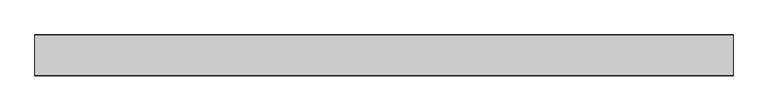
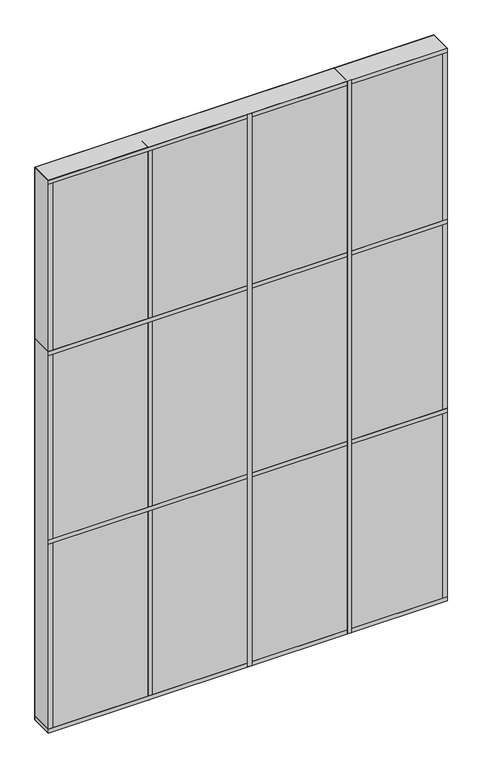
"""IFC4 building model written with IfcOpenShell, lengths in millimetres: plate geometry."""

import ifcopenshell
import ifcopenshell.guid

model = None  # the IFC model being written
_history = None  # IfcOwnerHistory: only IFC2X3 demands one
_inside = {}  # id of a spatial element -> (the spatial element, [elements in it])
_under = {}  # id of a project, library or spatial element -> (it, [spatial elements below it])
_declared = {}  # id of a project -> (the project, [libraries it declares])
_typed = {}  # id of a type object -> (the type object, [elements of that type])
_made_of = {}  # id of a material, layer set ... -> (it, [elements and type objects made of it])


def new_model(schema):
    """Start an empty IFC model of exactly this schema.

    Asked for "IFC4X3", IfcOpenShell would pick the latest addendum, in which some entities
    have other attributes; the version numbers below select the first issue.
    IFC2X3 requires an IfcOwnerHistory on every rooted entity: one is made here for all.
    """
    global model, _history
    if schema == "IFC4X3":
        model = ifcopenshell.file(schema_version=(4, 3, 0, 0))
    else:
        model = ifcopenshell.file(schema=schema)
    _inside.clear()
    _under.clear()
    _declared.clear()
    _typed.clear()
    _made_of.clear()
    _history = None
    if model.schema == "IFC2X3":
        org = make("IfcOrganization", Name="unknown")
        user = make(
            "IfcPersonAndOrganization",
            ThePerson=make("IfcPerson", FamilyName="unknown"),
            TheOrganization=org,
        )
        app = make(
            "IfcApplication",
            ApplicationDeveloper=org,
            Version="unknown",
            ApplicationFullName="unknown",
            ApplicationIdentifier="unknown",
        )
        _history = make(
            "IfcOwnerHistory",
            OwningUser=user,
            OwningApplication=app,
            ChangeAction="ADDED",
            CreationDate=0,
        )
    return model


def make(cls, **values):
    """One entity of the class cls with the attributes given. An attribute that is None is left unset."""
    return model.create_entity(
        cls, **{name: value for name, value in values.items() if value is not None}
    )


def rooted(cls, **values):
    """An entity with a GlobalId (a new one), such as an element, a storey or a relation."""
    return make(cls, GlobalId=ifcopenshell.guid.new(), OwnerHistory=_history, **values)


def si_unit(unit_type, name, prefix=None):
    """IfcSIUnit, for example si_unit("LENGTHUNIT", "METRE", prefix="MILLI")."""
    return make("IfcSIUnit", UnitType=unit_type, Prefix=prefix, Name=name)


def assignment(units):
    """IfcUnitAssignment: the units of a project."""
    return None if units is None else make("IfcUnitAssignment", Units=units)


def point(xyz):
    """IfcCartesianPoint."""
    return None if xyz is None else make("IfcCartesianPoint", Coordinates=xyz)


def direction(xyz):
    """IfcDirection."""
    return None if xyz is None else make("IfcDirection", DirectionRatios=xyz)


def frame(location, z_axis=None, x_axis=None):
    """IfcAxis2Placement3D, a coordinate frame: its origin and axes. An axis left out is left unset."""
    return make(
        "IfcAxis2Placement3D",
        Location=point(location),
        Axis=direction(z_axis),
        RefDirection=direction(x_axis),
    )


def origin():
    """The frame at (0, 0, 0) with its axes left unset."""
    return frame((0.0, 0.0, 0.0))


def origin_with_axes():
    """The frame at (0, 0, 0) with the z axis (0, 0, 1) and the x axis (1, 0, 0) written out."""
    return frame((0.0, 0.0, 0.0), z_axis=(0.0, 0.0, 1.0), x_axis=(1.0, 0.0, 0.0))


def place(relative_to, where):
    """IfcLocalPlacement: puts the frame where relative to a parent placement (None: the world)."""
    return make(
        "IfcLocalPlacement", PlacementRelTo=relative_to, RelativePlacement=where
    )


def context(
    kind, dimensions, precision=None, world=None, true_north=None, identifier=None
):
    """IfcGeometricRepresentationContext, for example the 3D "Model" context."""
    return make(
        "IfcGeometricRepresentationContext",
        ContextIdentifier=identifier,
        ContextType=kind,
        CoordinateSpaceDimension=dimensions,
        Precision=precision,
        WorldCoordinateSystem=world,
        TrueNorth=true_north,
    )


def project(units=None, contexts=None):
    """IfcProject with its units and contexts."""
    return rooted(
        "IfcProject",
        Name="project",
        RepresentationContexts=contexts,
        UnitsInContext=assignment(units),
    )


def spatial(cls, under=None, at=None, **own):
    """A site, building, storey or space (cls), placed at a placement, below another one or the project."""
    s = rooted(cls, ObjectPlacement=at, **own)
    if under is not None:
        _under.setdefault(under.id(), (under, []))[1].append(s)
    return s


def polyline(points):
    """IfcPolyline through the points."""
    return make("IfcPolyline", Points=[point(p) for p in points])


def outline(outer, holes=None, kind="AREA"):
    """IfcArbitraryClosedProfileDef: a profile drawn as a closed curve; with holes, ...WithVoids."""
    if holes is None:
        return make("IfcArbitraryClosedProfileDef", ProfileType=kind, OuterCurve=outer)
    return make(
        "IfcArbitraryProfileDefWithVoids",
        ProfileType=kind,
        OuterCurve=outer,
        InnerCurves=holes,
    )


def extrude(swept, where, along, depth):
    """IfcExtrudedAreaSolid: the profile swept, set in the frame where, extruded along a direction by depth."""
    return make(
        "IfcExtrudedAreaSolid",
        SweptArea=swept,
        Position=where,
        ExtrudedDirection=direction(along),
        Depth=depth,
    )


def shape(context_of_items, identifier, shape_type, items):
    """IfcShapeRepresentation: the items that make up one representation, for example the "Body"."""
    return make(
        "IfcShapeRepresentation",
        ContextOfItems=context_of_items,
        RepresentationIdentifier=identifier,
        RepresentationType=shape_type,
        Items=items,
    )


def source(mapping_origin, context_of_items, identifier, shape_type, items):
    """IfcRepresentationMap: a shape defined once, which mapped items show again and again."""
    return make(
        "IfcRepresentationMap",
        MappingOrigin=mapping_origin,
        MappedRepresentation=shape(context_of_items, identifier, shape_type, items),
    )


def transform(
    local_origin,
    x_axis=None,
    y_axis=None,
    z_axis=None,
    scale=None,
    scale2=None,
    scale3=None,
    uniform=True,
):
    """IfcCartesianTransformationOperator3D, or its non-uniform kind. x_axis, y_axis, z_axis: its Axis1, 2, 3."""
    if uniform:
        return make(
            "IfcCartesianTransformationOperator3D",
            Axis1=direction(x_axis),
            Axis2=direction(y_axis),
            LocalOrigin=point(local_origin),
            Scale=scale,
            Axis3=direction(z_axis),
        )
    return make(
        "IfcCartesianTransformationOperator3DnonUniform",
        Axis1=direction(x_axis),
        Axis2=direction(y_axis),
        LocalOrigin=point(local_origin),
        Scale=scale,
        Axis3=direction(z_axis),
        Scale2=scale2,
        Scale3=scale3,
    )


def mapped(mapping_source, mapping_target):
    """IfcMappedItem: shows the shape of a source again, moved by a transform."""
    return make(
        "IfcMappedItem", MappingSource=mapping_source, MappingTarget=mapping_target
    )


def made_of(thing, what):
    """Note that an element or type object is made of a material, layer set ...; save() writes the relation."""
    if what is not None:
        _made_of.setdefault(what.id(), (what, []))[1].append(thing)
    return thing


def element(
    cls,
    number,
    at=None,
    inside=None,
    cuts=None,
    type_object=None,
    material=None,
    context=None,
    identifier="Body",
    shape_type=None,
    held_by="IfcProductDefinitionShape",
    body=None,
    shapes=None,
    **own,
):
    """One element of the class cls, such as IfcWall. Its Tag is "e" and its number.

    at: its placement. inside: the storey or other place that contains it. cuts: it is an
    opening in that element (IfcRelVoidsElement). A single representation is given by context,
    identifier, shape_type and body (its items); several are given by shapes. held_by: the class
    of the entity that holds the representations. save() writes the other relations.
    """
    e = rooted(cls, Tag="e%d" % number, ObjectPlacement=at, **own)
    if body is not None:
        shapes = [shape(context, identifier, shape_type, body)]
    if shapes is not None:
        e.Representation = make(held_by, Representations=shapes)
    if inside is not None:
        _inside.setdefault(inside.id(), (inside, []))[1].append(e)
    if cuts is not None:
        rooted(
            "IfcRelVoidsElement", RelatingBuildingElement=cuts, RelatedOpeningElement=e
        )
    if type_object is not None:
        _typed.setdefault(type_object.id(), (type_object, []))[1].append(e)
    return made_of(e, material)


def aggregate(whole, parts):
    """IfcRelAggregates: a whole, such as a stair, and the parts it consists of."""
    return rooted("IfcRelAggregates", RelatingObject=whole, RelatedObjects=parts)


def save(model, path):
    """Write the relations noted so far, then the file.

    IfcRelAggregates (storeys below a building ...), IfcRelContainedInSpatialStructure (elements
    in a storey), IfcRelDefinesByType, IfcRelAssociatesMaterial and IfcRelDeclares: one each for
    every whole, place, type object, material and project.
    """
    for whole, parts in _under.values():
        aggregate(whole, parts)
    for where, things in _inside.values():
        rooted(
            "IfcRelContainedInSpatialStructure",
            RelatedElements=things,
            RelatingStructure=where,
        )
    for kind, things in _typed.values():
        rooted("IfcRelDefinesByType", RelatedObjects=things, RelatingType=kind)
    for what, things in _made_of.values():
        rooted("IfcRelAssociatesMaterial", RelatedObjects=things, RelatingMaterial=what)
    for by, libraries in _declared.values():
        rooted("IfcRelDeclares", RelatingContext=by, RelatedDefinitions=libraries)
    model.write(path)


def plate_75fb26d9(model_context):
    return source(origin(), model_context, "Body", "SweptSolid", [
        extrude(outline(polyline([(609.6, 34.925), (609.6, -34.925), (-609.6, -34.925), (-609.6, 34.925), (609.6, 34.925)])), origin_with_axes(), (0.0, 0.0, 1.0), 1784.35),
        extrude(outline(polyline([(317.5, 35.71875), (317.5, -35.71875), (304.8, -35.71875), (304.8, 35.71875), (317.5, 35.71875)])), origin_with_axes(), (0.0, 0.0, 1.0), 1784.35),
        extrude(outline(polyline([(12.7, 35.71875), (12.7, -35.71875), (0.0, -35.71875), (0.0, 35.71875), (12.7, 35.71875)])), origin_with_axes(), (0.0, 0.0, 1.0), 1784.35),
        extrude(outline(polyline([(609.6, 35.71875), (609.6, -35.71875), (-609.6, -35.71875), (-609.6, 35.71875), (609.6, 35.71875)])), frame((0.0, 0.0, 1219.2), z_axis=(0.0, 0.0, 1.0), x_axis=(1.0, 0.0, 0.0)), (0.0, 0.0, 1.0), 12.7),
        extrude(outline(polyline([(609.6, 35.71875), (609.6, -35.71875), (-609.6, -35.71875), (-609.6, 35.71875), (609.6, 35.71875)])), frame((0.0, 0.0, 1771.65), z_axis=(0.0, 0.0, 1.0), x_axis=(1.0, 0.0, 0.0)), (0.0, 0.0, 1.0), 12.7),
        extrude(outline(polyline([(609.6, 35.71875), (609.6, -35.71875), (-609.6, -35.71875), (-609.6, 35.71875), (609.6, 35.71875)])), frame((0.0, 0.0, 609.6), z_axis=(0.0, 0.0, 1.0), x_axis=(1.0, 0.0, 0.0)), (0.0, 0.0, 1.0), 12.7),
        extrude(outline(polyline([(609.6, 35.71875), (609.6, -35.71875), (-609.6, -35.71875), (-609.6, 35.71875), (609.6, 35.71875)])), origin_with_axes(), (0.0, 0.0, 1.0), 12.7),
        extrude(outline(polyline([(-292.1, 35.71875), (-292.1, -35.71875), (-304.8, -35.71875), (-304.8, 35.71875), (-292.1, 35.71875)])), origin_with_axes(), (0.0, 0.0, 1.0), 1784.35),
        extrude(outline(polyline([(609.6, 35.71875), (609.6, -35.71875), (596.9, -35.71875), (596.9, 35.71875), (609.6, 35.71875)])), origin_with_axes(), (0.0, 0.0, 1.0), 1784.35),
        extrude(outline(polyline([(-596.9, 35.71875), (-596.9, -35.71875), (-609.6, -35.71875), (-609.6, 35.71875), (-596.9, 35.71875)])), origin_with_axes(), (0.0, 0.0, 1.0), 1784.35),
    ])


if __name__ == "__main__":
    model = new_model("IFC4")
    model_context = context("Model", 3, world=origin())
    ifc_project = project(units=[si_unit("LENGTHUNIT", "METRE", prefix="MILLI")], contexts=[model_context])
    site = spatial("IfcSite", under=ifc_project)
    building = spatial("IfcBuilding", under=site)
    placement = place(None, origin())
    plate_shape = plate_75fb26d9(model_context)
    element("IfcPlate", 1, at=placement, inside=building, context=model_context, shape_type="MappedRepresentation", body=[
        mapped(plate_shape, transform((0.0, 0.0, 0.0), x_axis=(1.0, 0.0, 0.0), y_axis=(0.0, 1.0, 0.0), z_axis=(0.0, 0.0, 1.0))),
    ])
    save(model, "model.ifc")
